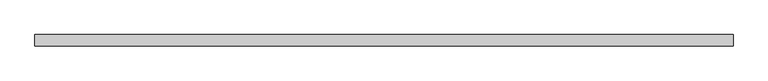
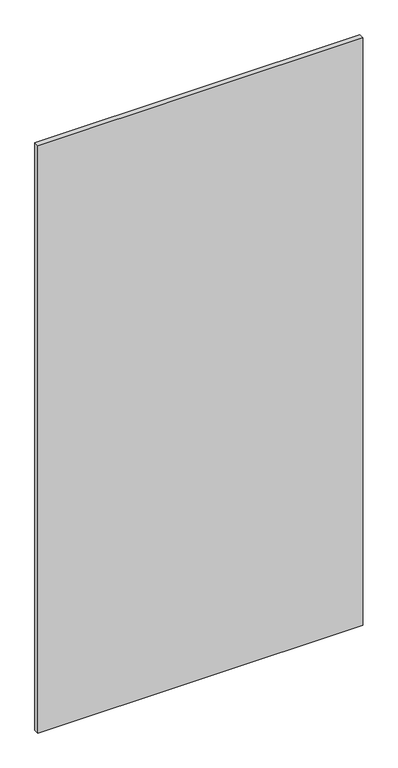
"""IFC4 building model written with IfcOpenShell, lengths in millimetres: plate geometry."""

from ifc_helpers import new_model, si_unit, origin, origin_with_axes, place, context, project, spatial, polyline, outline, extrude, source, transform, mapped, element, save


def plate_9b70a8c7(model_context):
    return source(origin(), model_context, "Body", "SweptSolid", [
        extrude(outline(polyline([(784.9999998, 24.5), (-784.9999998, 24.5), (-784.9999998, 49.5), (784.9999998, 49.5), (784.9999998, 24.5)])), origin_with_axes(), (0.0, 0.0, 1.0), 3000.0),
    ])


if __name__ == "__main__":
    model = new_model("IFC4")
    model_context = context("Model", 3, world=origin())
    ifc_project = project(units=[si_unit("LENGTHUNIT", "METRE", prefix="MILLI")], contexts=[model_context])
    site = spatial("IfcSite", under=ifc_project)
    building = spatial("IfcBuilding", under=site)
    placement = place(None, origin())
    plate_shape = plate_9b70a8c7(model_context)
    element("IfcPlate", 1, at=placement, inside=building, context=model_context, shape_type="MappedRepresentation", body=[
        mapped(plate_shape, transform((0.0, 0.0, 0.0), x_axis=(1.0, 0.0, 0.0), y_axis=(0.0, 1.0, 0.0), z_axis=(0.0, 0.0, 1.0))),
    ])
    save(model, "model.ifc")
